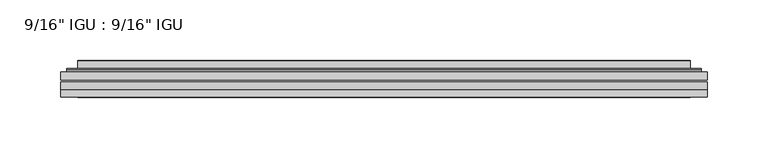
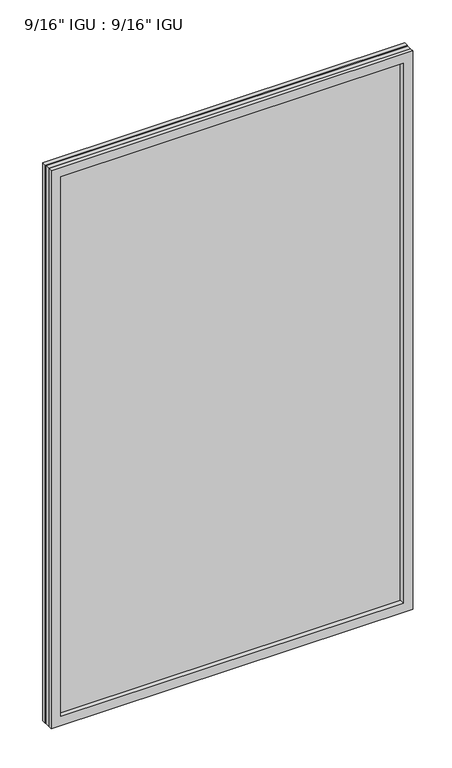
"""IFC4 building model written with IfcOpenShell, lengths in millimetres: plate geometry."""

from ifc_helpers import new_model, si_unit, frame, origin, place, context, project, spatial, polyline, ellipse_curve, outline, extrude, faceted_brep, source, transform, mapped, element, save
from ifc_brep_helpers import plane_surface, cylinder_surface, advanced_brep


def plate_bca1ac2d(model_context):
    return source(origin(), model_context, "Body", "SolidModel", [
        extrude(outline(polyline([(266.7143106, -54.78145), (266.7143106, -61.1317818), (-266.7001356, -61.1317818), (-266.7001356, -54.78145), (266.7143106, -54.78145)])), frame((0.0, 0.0, -14.2875), z_axis=(0.0, 0.0, 1.0), x_axis=(1.0, 0.0, 0.0)), (0.0, 0.0, 1.0), 869.9537979),
        extrude(outline(polyline([(-266.7001356, -69.05625), (-266.7001356, -62.705745), (266.7143106, -62.705745), (266.7143106, -69.05625), (-266.7001356, -69.05625)])), frame((0.0, 0.0, -14.2875), z_axis=(0.0, 0.0, 1.0), x_axis=(1.0, 0.0, 0.0)), (0.0, 0.0, 1.0), 869.9537979),
        faceted_brep([(-266.7128356, -75.40625, 855.6752), (-266.7128356, -69.05625, 855.6752), (-266.7128356, -69.05625, -14.3002), (-266.7128356, -75.40625, -14.3002), (266.7128356, -69.05625, -14.3002), (266.7128356, -75.40625, -14.3002), (266.7128356, -69.05625, 855.6752), (266.7128356, -75.40625, 855.6752), (-251.5148915, -69.05625, 0.8977441), (251.5148915, -69.05625, 0.8977441), (251.5148915, -69.05625, 840.4772559), (-251.5148915, -69.05625, 840.4772559), (-252.4073258, -75.40625, 841.3696902), (252.4073258, -75.40625, 841.3696902), (252.4073258, -75.40625, 0.0053098), (-252.4073258, -75.40625, 0.0053098)], [[[0, 1, 2, 3]], [[3, 2, 4, 5]], [[5, 4, 6, 7]], [[1, 6, 4, 2], [8, 9, 10, 11]], [[7, 6, 1, 0]], [[3, 5, 7, 0], [12, 13, 14, 15]], [[11, 12, 15, 8]], [[8, 15, 14, 9]], [[9, 14, 13, 10]], [[10, 13, 12, 11]]]),
        advanced_brep(
        [(-259.4588547, -54.78145, 848.421219), (-261.81306, -52.7917833, 850.7754244), (-261.81306, -52.7917833, -9.4004244), (-259.4588547, -54.78145, -7.046219), (-250.3845295, -50.941413, 839.3468939), (-245.4496977, -54.78145, 834.4120621), (-245.4496977, -54.78145, 6.9629379), (-250.3845295, -50.941413, 2.0281061), (-251.4165573, -45.5441819, 840.3789217), (-251.4165573, -45.5441819, 0.9960783), (-252.4072141, -45.1452069, 841.3695784), (-252.4072141, -45.1452069, 0.0054216), (-252.4072141, -51.60645, 841.3695784), (-252.4072141, -51.60645, 0.0054216), (-260.8112705, -51.60645, 849.7736349), (-260.8112705, -51.60645, -8.3986349), (261.81306, -52.7917833, -9.4004244), (259.4588547, -54.78145, -7.046219), (245.4496977, -54.78145, 6.9629379), (250.3845295, -50.941413, 2.0281061), (251.4165573, -45.5441819, 0.9960783), (252.4072141, -45.1452069, 0.0054216), (252.4072141, -51.60645, 0.0054216), (260.8112705, -51.60645, -8.3986349), (261.81306, -52.7917833, 850.7754244), (259.4588547, -54.78145, 848.421219), (245.4496977, -54.78145, 834.4120621), (250.3845295, -50.941413, 839.3468939), (251.4165573, -45.5441819, 840.3789217), (252.4072141, -45.1452069, 841.3695784), (252.4072141, -51.60645, 841.3695784), (260.8112705, -51.60645, 849.7736349)],
        [
            (0, 1, ellipse_curve(frame((-259.4588547, -52.39385, 848.421219), z_axis=(-0.7071067811865475, 0.0, -0.7071067811865475), x_axis=(-0.7071067811865474, 0.0, 0.7071067811865476)), 3.3765763, 2.3876)),
            (1, 2),
            (2, 3, ellipse_curve(frame((-259.4588547, -52.39385, -7.046219), z_axis=(-0.7071067811865475, 0.0, 0.7071067811865475), x_axis=(0.7071067811865474, 0.0, 0.7071067811865476)), 3.3765763, 2.3876)),
            (3, 0),
            (4, 5),
            (5, 6),
            (6, 7),
            (7, 4),
            (8, 4),
            (7, 9),
            (9, 8),
            (10, 8, ellipse_curve(frame((-252.0402575, -45.6634423, 841.0026219), z_axis=(-0.7071067811865475, 0.0, -0.7071067811865475), x_axis=(-0.7071067811865474, 0.0, 0.7071067811865476)), 0.8980256, 0.635)),
            (9, 11, ellipse_curve(frame((-252.0402575, -45.6634423, 0.3723781), z_axis=(-0.7071067811865475, 0.0, 0.7071067811865475), x_axis=(0.7071067811865474, 0.0, 0.7071067811865476)), 0.8980256, 0.635)),
            (11, 10),
            (12, 10),
            (11, 13),
            (13, 12),
            (1, 14, ellipse_curve(frame((-260.8112705, -52.62245, 849.7736349), z_axis=(-0.7071067811865475, 0.0, -0.7071067811865475), x_axis=(-0.7071067811865474, 0.0, 0.7071067811865476)), 1.436841, 1.016)),
            (14, 15),
            (15, 2, ellipse_curve(frame((-260.8112705, -52.62245, -8.3986349), z_axis=(-0.7071067811865475, 0.0, 0.7071067811865475), x_axis=(0.7071067811865474, 0.0, 0.7071067811865476)), 1.436841, 1.016)),
            (2, 16),
            (16, 17, ellipse_curve(frame((259.4588547, -52.39385, -7.046219), z_axis=(-0.7071067811865475, 0.0, -0.7071067811865475), x_axis=(-0.7071067811865476, 0.0, 0.7071067811865474)), 3.3765763, 2.3876)),
            (17, 3),
            (6, 18),
            (18, 19),
            (19, 7),
            (19, 20),
            (20, 9),
            (20, 21, ellipse_curve(frame((252.0402575, -45.6634423, 0.3723781), z_axis=(-0.7071067811865475, 0.0, -0.7071067811865475), x_axis=(-0.7071067811865476, 0.0, 0.7071067811865474)), 0.8980256, 0.635)),
            (21, 11),
            (21, 22),
            (22, 13),
            (15, 23),
            (23, 16, ellipse_curve(frame((260.8112705, -52.62245, -8.3986349), z_axis=(-0.7071067811865475, 0.0, -0.7071067811865475), x_axis=(-0.7071067811865476, 0.0, 0.7071067811865474)), 1.436841, 1.016)),
            (16, 24),
            (24, 25, ellipse_curve(frame((259.4588547, -52.39385, 848.421219), z_axis=(0.7071067811865475, 0.0, -0.7071067811865475), x_axis=(-0.7071067811865474, 0.0, -0.7071067811865476)), 3.3765763, 2.3876)),
            (25, 17),
            (18, 26),
            (26, 27),
            (27, 19),
            (27, 28),
            (28, 20),
            (28, 29, ellipse_curve(frame((252.0402575, -45.6634423, 841.0026219), z_axis=(0.7071067811865475, 0.0, -0.7071067811865475), x_axis=(-0.7071067811865474, 0.0, -0.7071067811865476)), 0.8980256, 0.635)),
            (29, 21),
            (29, 30),
            (30, 22),
            (23, 31),
            (31, 24, ellipse_curve(frame((260.8112705, -52.62245, 849.7736349), z_axis=(0.7071067811865475, 0.0, -0.7071067811865475), x_axis=(-0.7071067811865474, 0.0, -0.7071067811865476)), 1.436841, 1.016)),
            (24, 1),
            (0, 25),
            (5, 26),
            (4, 27),
            (8, 28),
            (10, 29),
            (12, 30),
            (14, 31),
        ],
        [
            cylinder_surface(frame((-259.4588547, -52.39385, 873.125), z_axis=(0.0, 0.0, 1.0), x_axis=(-1.0, 0.0, 0.0)), 2.3876),
            plane_surface(frame((-245.4496977, -54.78145, 834.4120621), z_axis=(0.6141233906514794, 0.7892100234124821, 0.0), x_axis=(0.0, 0.0, -1.0))),
            plane_surface(frame((-250.3845295, -50.941413, 839.3468939), z_axis=(0.9822050625507728, 0.18781164793386088, 0.0), x_axis=(0.0, 0.0, -1.0))),
            cylinder_surface(frame((-252.0402575, -45.6634423, 873.125), z_axis=(0.0, 0.0, 1.0), x_axis=(-1.0, 0.0, 0.0)), 0.635),
            plane_surface(frame((-252.4072141, -45.1452069, 841.3695784), z_axis=(-1.0, 0.0, 0.0), x_axis=(0.0, 0.0, -1.0))),
            cylinder_surface(frame((-260.8112705, -52.62245, 873.125), z_axis=(0.0, 0.0, 1.0), x_axis=(-1.0, 0.0, 0.0)), 1.016),
            cylinder_surface(frame((-284.1626356, -52.39385, -7.046219), z_axis=(-1.0, 0.0, 0.0), x_axis=(0.0, 0.0, -1.0)), 2.3876),
            plane_surface(frame((-245.4496977, -54.78145, 6.9629379), z_axis=(0.0, 0.7892100234124841, 0.6141233906514768), x_axis=(1.0, 0.0, 0.0))),
            plane_surface(frame((-250.3845295, -50.941413, 2.0281061), z_axis=(0.0, 0.18781164793386404, 0.9822050625507722), x_axis=(1.0, 0.0, 0.0))),
            cylinder_surface(frame((-284.1626356, -45.6634423, 0.3723781), z_axis=(-1.0, 0.0, 0.0), x_axis=(0.0, 0.0, -1.0)), 0.635),
            plane_surface(frame((-252.4072141, -45.1452069, 0.0054216), z_axis=(0.0, 0.0, -1.0), x_axis=(1.0, 0.0, 0.0))),
            cylinder_surface(frame((-284.1626356, -52.62245, -8.3986349), z_axis=(-1.0, 0.0, 0.0), x_axis=(0.0, 0.0, -1.0)), 1.016),
            cylinder_surface(frame((259.4588547, -52.39385, -31.75), z_axis=(0.0, 0.0, -1.0), x_axis=(1.0, 0.0, 0.0)), 2.3876),
            plane_surface(frame((245.4496977, -54.78145, 6.9629379), z_axis=(-0.6141233906514743, 0.7892100234124861, 0.0), x_axis=(0.0, 0.0, 1.0))),
            plane_surface(frame((250.3845295, -50.941413, 2.0281061), z_axis=(-0.9822050625507717, 0.1878116479338672, 0.0), x_axis=(0.0, 0.0, 1.0))),
            cylinder_surface(frame((252.0402575, -45.6634423, -31.75), z_axis=(0.0, 0.0, -1.0), x_axis=(1.0, 0.0, 0.0)), 0.635),
            plane_surface(frame((252.4072141, -45.1452069, 0.0054216), z_axis=(1.0, 0.0, 0.0), x_axis=(0.0, 0.0, 1.0))),
            cylinder_surface(frame((260.8112705, -52.62245, -31.75), z_axis=(0.0, 0.0, -1.0), x_axis=(1.0, 0.0, 0.0)), 1.016),
            cylinder_surface(frame((284.1626356, -52.39385, 848.421219), z_axis=(1.0, 0.0, 0.0), x_axis=(0.0, 0.0, 1.0)), 2.3876),
            plane_surface(frame((259.4588547, -54.78145, 848.421219), z_axis=(0.0, -1.0, 0.0), x_axis=(-1.0, 0.0, 0.0))),
            plane_surface(frame((245.4496977, -54.78145, 834.4120621), z_axis=(0.0, 0.7892100234124841, -0.6141233906514768), x_axis=(-1.0, 0.0, 0.0))),
            plane_surface(frame((250.3845295, -50.941413, 839.3468939), z_axis=(0.0, 0.18781164793386404, -0.9822050625507722), x_axis=(-1.0, 0.0, 0.0))),
            cylinder_surface(frame((284.1626356, -45.6634423, 841.0026219), z_axis=(1.0, 0.0, 0.0), x_axis=(0.0, 0.0, 1.0)), 0.635),
            plane_surface(frame((252.4072141, -45.1452069, 841.3695784), z_axis=(0.0, 0.0, 1.0), x_axis=(-1.0, 0.0, 0.0))),
            plane_surface(frame((252.4072141, -51.60645, 841.3695784), z_axis=(0.0, 1.0, 0.0), x_axis=(-1.0, 0.0, 0.0))),
            cylinder_surface(frame((284.1626356, -52.62245, 849.7736349), z_axis=(1.0, 0.0, 0.0), x_axis=(0.0, 0.0, 1.0)), 1.016),
        ],
        [
            (0, [[1, 2, 3, 4]]),
            (1, [[5, 6, 7, 8]]),
            (2, [[9, -8, 10, 11]]),
            (3, [[12, -11, 13, 14]]),
            (4, [[15, -14, 16, 17]]),
            (5, [[18, 19, 20, -2]]),
            (6, [[-3, 21, 22, 23]]),
            (7, [[-7, 24, 25, 26]]),
            (8, [[-10, -26, 27, 28]]),
            (9, [[-13, -28, 29, 30]]),
            (10, [[-16, -30, 31, 32]]),
            (11, [[-20, 33, 34, -21]]),
            (12, [[-22, 35, 36, 37]]),
            (13, [[-25, 38, 39, 40]]),
            (14, [[-27, -40, 41, 42]]),
            (15, [[-29, -42, 43, 44]]),
            (16, [[-31, -44, 45, 46]]),
            (17, [[-34, 47, 48, -35]]),
            (18, [[-36, 49, -1, 50]]),
            (19, [[-23, -37, -50, -4], [51, -38, -24, -6]]),
            (20, [[-39, -51, -5, 52]]),
            (21, [[-41, -52, -9, 53]]),
            (22, [[-43, -53, -12, 54]]),
            (23, [[-45, -54, -15, 55]]),
            (24, [[56, -47, -33, -19], [-32, -46, -55, -17]]),
            (25, [[-48, -56, -18, -49]]),
        ],
    ),
    ])


if __name__ == "__main__":
    model = new_model("IFC4")
    model_context = context("Model", 3, world=origin())
    ifc_project = project(units=[si_unit("LENGTHUNIT", "METRE", prefix="MILLI")], contexts=[model_context])
    site = spatial("IfcSite", under=ifc_project)
    building = spatial("IfcBuilding", under=site)
    placement = place(None, origin())
    plate_shape = plate_bca1ac2d(model_context)
    element("IfcPlate", 1, ObjectType="9/16\" IGU : 9/16\" IGU", at=placement, inside=building, context=model_context, shape_type="MappedRepresentation", body=[
        mapped(plate_shape, transform((0.0, 0.0, 0.0), x_axis=(1.0, 0.0, 0.0), y_axis=(0.0, 1.0, 0.0), z_axis=(0.0, 0.0, 1.0))),
    ])
    save(model, "model.ifc")
